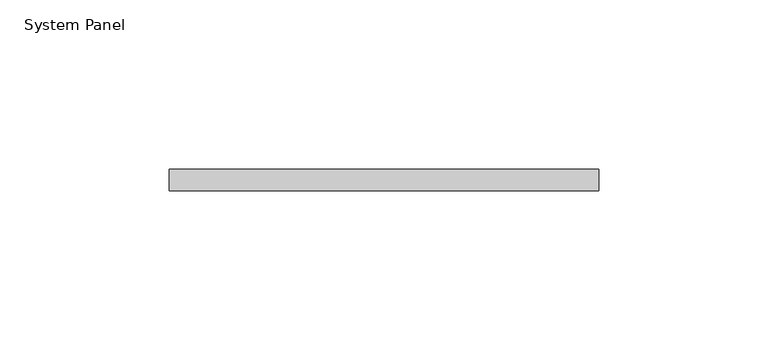
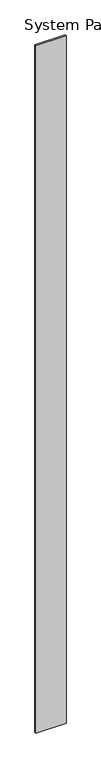
"""IFC4 building model written with IfcOpenShell, lengths in millimetres: plate geometry, System Panel."""

from ifc_helpers import new_model, si_unit, origin, origin_with_axes, place, context, project, spatial, polyline, outline, extrude, source, transform, mapped, element, save


def system_panel_3aaaecbc(model_context):
    return source(origin(), model_context, "Body", "SweptSolid", [
        extrude(outline(polyline([(63.5, 0.0), (-63.5, 0.0), (-63.5, 6.35), (63.5, 6.35), (63.5, 0.0)])), origin_with_axes(), (0.0, 0.0, 1.0), 3048.0),
    ])


if __name__ == "__main__":
    model = new_model("IFC4")
    model_context = context("Model", 3, world=origin())
    ifc_project = project(units=[si_unit("LENGTHUNIT", "METRE", prefix="MILLI")], contexts=[model_context])
    site = spatial("IfcSite", under=ifc_project)
    building = spatial("IfcBuilding", under=site)
    placement = place(None, origin())
    system_panel_shape = system_panel_3aaaecbc(model_context)
    element("IfcPlate", 1, ObjectType="System Panel", at=placement, inside=building, context=model_context, shape_type="MappedRepresentation", body=[
        mapped(system_panel_shape, transform((0.0, 0.0, 0.0), x_axis=(1.0, 0.0, 0.0), y_axis=(0.0, 1.0, 0.0), z_axis=(0.0, 0.0, 1.0))),
    ])
    save(model, "model.ifc")
